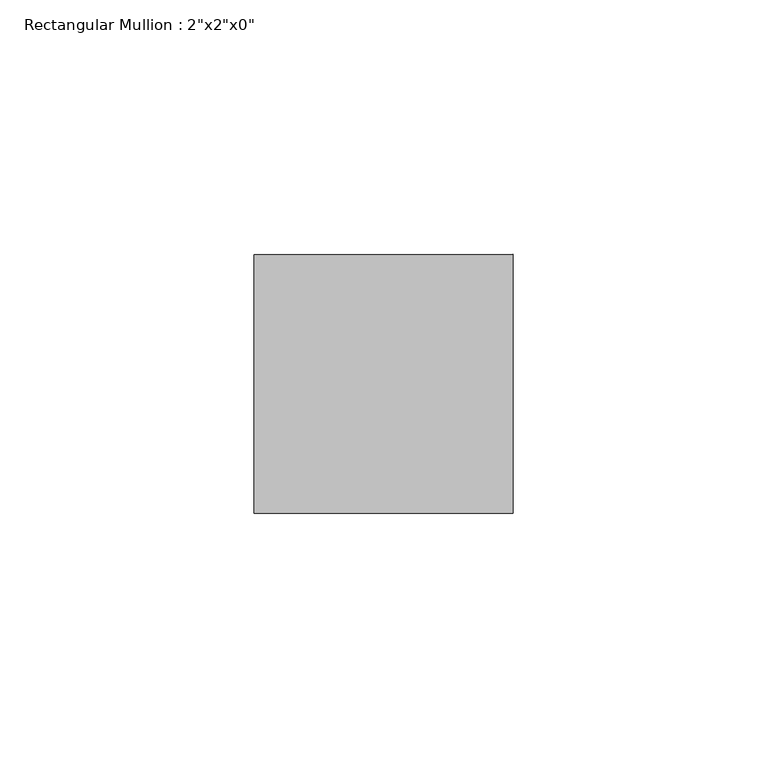
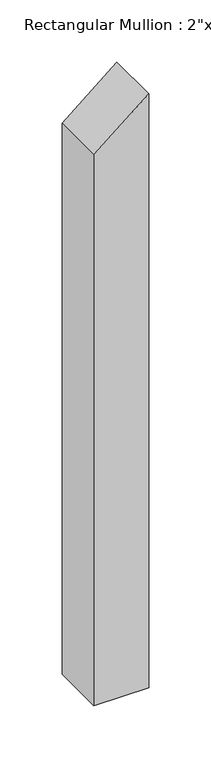
"""IFC4 building model written with IfcOpenShell, lengths in millimetres: member geometry."""

from ifc_helpers import new_model, si_unit, frame, origin, place, context, project, spatial, polyline, outline, extrude, source, transform, mapped, element, save


def member_65e4fa73(model_context):
    return source(origin(), model_context, "Body", "SweptSolid", [
        extrude(outline(polyline([(-33.0425367, 0.0), (-75.3106916, -50.8), (-615.95, -50.8), (-615.95, 0.0), (-33.0425367, 0.0)])), frame((0.0, -25.4, 0.0), z_axis=(0.0, 1.0, 0.0), x_axis=(0.0, 0.0, 1.0)), (0.0, 0.0, 1.0), 50.8),
    ])


if __name__ == "__main__":
    model = new_model("IFC4")
    model_context = context("Model", 3, world=origin())
    ifc_project = project(units=[si_unit("LENGTHUNIT", "METRE", prefix="MILLI")], contexts=[model_context])
    site = spatial("IfcSite", under=ifc_project)
    building = spatial("IfcBuilding", under=site)
    placement = place(None, origin())
    member_shape = member_65e4fa73(model_context)
    element("IfcMember", 1, ObjectType="Rectangular Mullion : 2\"x2\"x0\"", at=placement, inside=building, context=model_context, shape_type="MappedRepresentation", body=[
        mapped(member_shape, transform((0.0, 0.0, 0.0), x_axis=(1.0, 0.0, 0.0), y_axis=(0.0, 1.0, 0.0), z_axis=(0.0, 0.0, 1.0))),
    ])
    save(model, "model.ifc")
